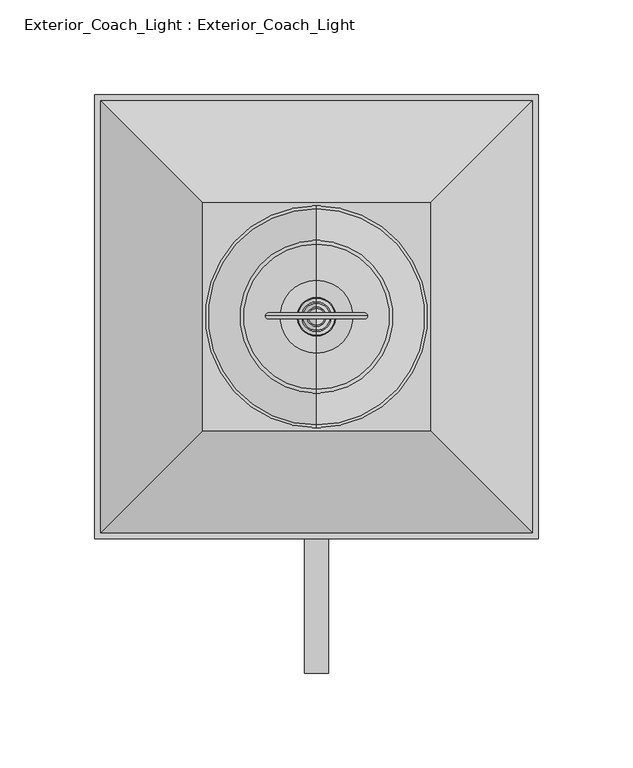
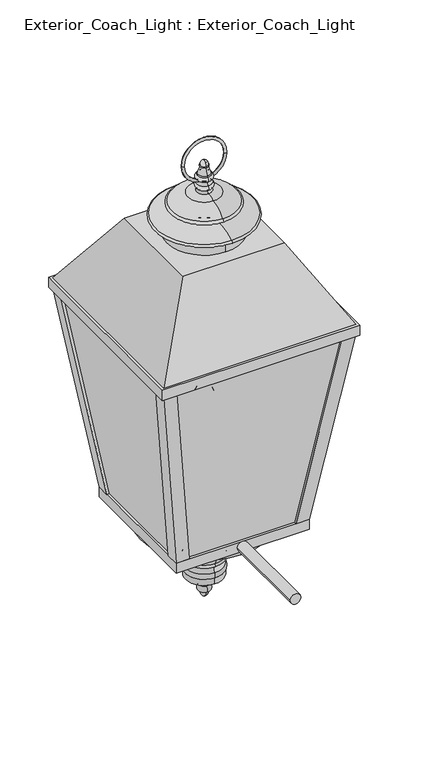
"""IFC4 building model written with IfcOpenShell, lengths in millimetres: light fixture geometry, Exterior_Coach_Light : Exterior_Coach_Light."""

from ifc_helpers import new_model, si_unit, point, frame, frame_2d, origin, place, context, project, spatial, polyline, circle_curve, ellipse_curve, trimmed, segment, composite_curve, outline, extrude, faceted_brep, source, transform, mapped, element, save
from ifc_brep_helpers import plane_surface, cylinder_surface, revolved_surface, spline_curve, advanced_brep


def exterior_coach_light_exterior_coach_light_49d7cb53(model_context):
    return source(origin(), model_context, "Body", "SolidModel", [
        extrude(outline(composite_curve([segment(trimmed(circle_curve(frame_2d((1831.0645854, 0.0)), 6.35), [point((1831.0645854, -6.35))], [point((1831.0645854, 6.35))], False, "CARTESIAN"), True, "CONTINUOUS"), segment(trimmed(circle_curve(frame_2d((1831.0645854, 0.0)), 6.35), [point((1831.0645854, 6.35))], [point((1831.0645854, -6.35))], False, "CARTESIAN"), True, "CONTINUOUS")], self_intersect=False)), frame((0.0, -189.2995984, 0.0), z_axis=(0.0, 1.0, 0.0), x_axis=(0.0, 0.0, 1.0)), (0.0, 0.0, 1.0), 109.1172354),
        advanced_brep(
        [(0.0, -15.5151275, 1925.8086155), (0.0, 13.9004016, 1925.8086155), (0.0, -0.8073629, 1995.6586155), (0.0, -0.8073629, 1925.8086155)],
        [
            (0, 1, circle_curve(frame((0.0, -0.8073629, 1925.8086155), z_axis=(0.0, 0.0, 1.0), x_axis=(0.0, 1.0, 0.0)), 14.7077646)),
            (1, 2, spline_curve(3, [(0.0, 13.9004016, 1925.8086155), (0.0, 26.242403699, 1936.450359625), (0.0, 24.307190899, 1944.546275789), (0.0, 18.40222862, 1960.232625293), (0.0, 14.173525156, 1967.570454233), (0.0, 5.791405073, 1986.178827119), (0.0, 1.851870573, 1996.12751011), (0.0, -0.8073629, 1995.6586155)], [4, 2, 2, 4], [0.0, 0.06180066190132277, 0.13275761258986918, 0.18711241383066227])),
            (2, 0, spline_curve(3, [(0.0, -0.8073629, 1995.6586155), (0.0, -3.466596373, 1996.12751011), (0.0, -7.406130873, 1986.178827119), (0.0, -15.788250956, 1967.570454233), (0.0, -20.01695452, 1960.232625293), (0.0, -25.921916799, 1944.546275789), (0.0, -27.857129599, 1936.450359625), (0.0, -15.5151275, 1925.8086155)], [4, 2, 2, 4], [0.0, 0.054354801240793095, 0.1253117519293395, 0.18711241383066227])),
            (1, 0, circle_curve(frame((0.0, -0.8073629, 1925.8086155), z_axis=(0.0, 0.0, 1.0), x_axis=(0.0, 1.0, 0.0)), 14.7077646)),
            (3, 1),
            (0, 3),
        ],
        [
            revolved_surface(spline_curve(3, [(0.0, -0.8073629, 1995.6586155), (0.0, 1.851870573, 1996.12751011), (0.0, 5.791405073, 1986.178827119), (0.0, 14.173525156, 1967.570454233), (0.0, 18.40222862, 1960.232625293), (0.0, 24.307190899, 1944.546275789), (0.0, 26.242403699, 1936.450359625), (0.0, 13.9004016, 1925.8086155)], [4, 2, 2, 4], [0.0, 0.054354801240793095, 0.1253117519293395, 0.18711241383066227]), (0.0, -0.8073629, 1925.8086155), (0.0, 0.0, -1.0)),
            plane_surface(frame((0.0, -0.8073629, 1925.8086155), z_axis=(0.0, 0.0, -1.0), x_axis=(0.0, 1.0, 0.0))),
        ],
        [
            (0, [[1, 2, 3]]),
            (0, [[4, -3, -2]]),
            (1, [[5, -1, 6]]),
            (1, [[-6, -4, -5]]),
        ],
    ),
        advanced_brep(
        [(0.0, 18.2426371, 1837.4145854), (0.0, -19.8573629, 1837.4145854), (0.0, -0.8073629, 1837.4145854), (0.0, 18.2426371, 1925.8086155), (0.0, -19.8573629, 1925.8086155), (0.0, -0.8073629, 1925.8086155)],
        [
            (0, 1, circle_curve(frame((0.0, -0.8073629, 1837.4145854), z_axis=(0.0, 0.0, -1.0), x_axis=(0.0, -1.0, 0.0)), 19.05)),
            (1, 2),
            (2, 0),
            (1, 0, circle_curve(frame((0.0, -0.8073629, 1837.4145854), z_axis=(0.0, 0.0, -1.0), x_axis=(0.0, -1.0, 0.0)), 19.05)),
            (3, 4, circle_curve(frame((0.0, -0.8073629, 1925.8086155), z_axis=(0.0, 0.0, -1.0), x_axis=(0.0, -1.0, 0.0)), 19.05)),
            (4, 1),
            (0, 3),
            (4, 3, circle_curve(frame((0.0, -0.8073629, 1925.8086155), z_axis=(0.0, 0.0, -1.0), x_axis=(0.0, -1.0, 0.0)), 19.05)),
            (5, 4),
            (3, 5),
        ],
        [
            plane_surface(frame((0.0, -0.8073629, 1837.4145854), z_axis=(0.0, 0.0, -1.0), x_axis=(0.0, -1.0, 0.0))),
            cylinder_surface(frame((0.0, -0.8073629, 1837.4145854), z_axis=(0.0, 0.0, 1.0), x_axis=(0.0, -1.0, 0.0)), 19.05),
            plane_surface(frame((0.0, -0.8073629, 1925.8086155), z_axis=(0.0, 0.0, 1.0), x_axis=(0.0, -1.0, 0.0))),
        ],
        [
            (0, [[1, 2, 3]]),
            (0, [[4, -3, -2]]),
            (1, [[5, 6, -1, 7]]),
            (1, [[8, -7, -4, -6]]),
            (2, [[9, -5, 10]]),
            (2, [[-10, -8, -9]]),
        ],
    ),
        advanced_brep(
        [(0.0, 21.3562505, 1756.6111143), (0.0, -22.9709763, 1756.6111143), (0.0, -22.9709763, 1749.0426244), (0.0, 21.3562505, 1749.0426244), (0.0, 21.3562505, 1762.9611143), (0.0, -22.9709763, 1762.9611143), (0.0, 21.3562505, 1771.2001548), (0.0, -22.9709763, 1771.2001548), (0.0, 21.3562505, 1774.3583654), (0.0, -22.9709763, 1774.3583654), (0.0, 21.3562505, 1787.0583654), (0.0, -22.9709763, 1787.0583654), (0.0, 21.3562505, 1799.7583654), (0.0, -22.9709763, 1799.7583654), (0.0, 75.3926371, 1818.3645854), (0.0, -77.0073629, 1818.3645854), (0.0, 75.3926371, 1824.7145854), (0.0, -77.0073629, 1824.7145854), (0.0, -0.8073629, 1824.7145854), (0.0, -17.3051469, 1749.0426244), (0.0, 15.690421, 1749.0426244), (0.0, 3.8701505, 1728.906082), (0.0, -5.4848764, 1728.906082), (0.0, -0.8073629, 1720.4676244), (0.0, 3.8701505, 1735.256082), (0.0, -5.4848764, 1735.256082)],
        [
            (0, 1, circle_curve(frame((0.0, -0.8073629, 1756.6111143), z_axis=(0.0, 0.0, -1.0), x_axis=(0.0, -1.0, 0.0)), 22.1636134)),
            (1, 2),
            (2, 3, circle_curve(frame((0.0, -0.8073629, 1749.0426244), z_axis=(0.0, 0.0, 1.0), x_axis=(0.0, -1.0, 0.0)), 22.1636134)),
            (3, 0),
            (1, 0, circle_curve(frame((0.0, -0.8073629, 1756.6111143), z_axis=(0.0, 0.0, -1.0), x_axis=(0.0, -1.0, 0.0)), 22.1636134)),
            (3, 2, circle_curve(frame((0.0, -0.8073629, 1749.0426244), z_axis=(0.0, 0.0, 1.0), x_axis=(0.0, -1.0, 0.0)), 22.1636134)),
            (4, 5, circle_curve(frame((0.0, -0.8073629, 1762.9611143), z_axis=(0.0, 0.0, -1.0), x_axis=(0.0, -1.0, 0.0)), 22.1636134)),
            (5, 1, circle_curve(frame((0.0, -19.2145189, 1759.7861143), z_axis=(1.0, 0.0, 0.0), x_axis=(0.0, -1.0, 0.0)), 4.9184955)),
            (0, 4, circle_curve(frame((0.0, 17.599793, 1759.7861143), z_axis=(1.0, 0.0, 0.0), x_axis=(0.0, 1.0, 0.0)), 4.9184955)),
            (5, 4, circle_curve(frame((0.0, -0.8073629, 1762.9611143), z_axis=(0.0, 0.0, -1.0), x_axis=(0.0, -1.0, 0.0)), 22.1636134)),
            (6, 7, circle_curve(frame((0.0, -0.8073629, 1771.2001548), z_axis=(0.0, 0.0, -1.0), x_axis=(0.0, -1.0, 0.0)), 22.1636134)),
            (7, 5, circle_curve(frame((0.0, -27.8449299, 1767.0806345), z_axis=(-1.0, 0.0, 0.0), x_axis=(0.0, -1.0, 0.0)), 6.3816824)),
            (4, 6, circle_curve(frame((0.0, 26.230204, 1767.0806345), z_axis=(-1.0, 0.0, 0.0), x_axis=(0.0, 1.0, 0.0)), 6.3816824)),
            (7, 6, circle_curve(frame((0.0, -0.8073629, 1771.2001548), z_axis=(0.0, 0.0, -1.0), x_axis=(0.0, -1.0, 0.0)), 22.1636134)),
            (8, 9, circle_curve(frame((0.0, -0.8073629, 1774.3583654), z_axis=(0.0, 0.0, -1.0), x_axis=(0.0, -1.0, 0.0)), 22.1636134)),
            (9, 7, circle_curve(frame((0.0, -22.9709763, 1772.7792601), z_axis=(1.0, 0.0, 0.0), x_axis=(0.0, -1.0, 0.0)), 1.5791053)),
            (6, 8, circle_curve(frame((0.0, 21.3562505, 1772.7792601), z_axis=(1.0, 0.0, 0.0), x_axis=(0.0, 1.0, 0.0)), 1.5791053)),
            (9, 8, circle_curve(frame((0.0, -0.8073629, 1774.3583654), z_axis=(0.0, 0.0, -1.0), x_axis=(0.0, -1.0, 0.0)), 22.1636134)),
            (10, 11, circle_curve(frame((0.0, -0.8073629, 1787.0583654), z_axis=(0.0, 0.0, -1.0), x_axis=(0.0, -1.0, 0.0)), 22.1636134)),
            (11, 9, circle_curve(frame((0.0, -16.5967823, 1780.7083654), z_axis=(1.0, 0.0, 0.0), x_axis=(0.0, -1.0, 0.0)), 8.9973802)),
            (8, 10, circle_curve(frame((0.0, 14.9820564, 1780.7083654), z_axis=(1.0, 0.0, 0.0), x_axis=(0.0, 1.0, 0.0)), 8.9973802)),
            (11, 10, circle_curve(frame((0.0, -0.8073629, 1787.0583654), z_axis=(0.0, 0.0, -1.0), x_axis=(0.0, -1.0, 0.0)), 22.1636134)),
            (12, 13, circle_curve(frame((0.0, -0.8073629, 1799.7583654), z_axis=(0.0, 0.0, -1.0), x_axis=(0.0, -1.0, 0.0)), 22.1636134)),
            (13, 11),
            (10, 12),
            (13, 12, circle_curve(frame((0.0, -0.8073629, 1799.7583654), z_axis=(0.0, 0.0, -1.0), x_axis=(0.0, -1.0, 0.0)), 22.1636134)),
            (14, 15, circle_curve(frame((0.0, -0.8073629, 1818.3645854), z_axis=(0.0, 0.0, -1.0), x_axis=(0.0, -1.0, 0.0)), 76.2)),
            (15, 13, circle_curve(frame((0.0, -81.0697641, 1718.7968748), z_axis=(-1.0, 0.0, 0.0), x_axis=(0.0, -1.0, 0.0)), 99.6505499)),
            (12, 14, circle_curve(frame((0.0, 79.4550383, 1718.7968748), z_axis=(-1.0, 0.0, 0.0), x_axis=(0.0, 1.0, 0.0)), 99.6505499)),
            (15, 14, circle_curve(frame((0.0, -0.8073629, 1818.3645854), z_axis=(0.0, 0.0, -1.0), x_axis=(0.0, -1.0, 0.0)), 76.2)),
            (16, 17, circle_curve(frame((0.0, -0.8073629, 1824.7145854), z_axis=(0.0, 0.0, -1.0), x_axis=(0.0, -1.0, 0.0)), 76.2)),
            (17, 15),
            (14, 16),
            (17, 16, circle_curve(frame((0.0, -0.8073629, 1824.7145854), z_axis=(0.0, 0.0, -1.0), x_axis=(0.0, -1.0, 0.0)), 76.2)),
            (18, 17),
            (16, 18),
            (2, 19),
            (19, 20, circle_curve(frame((0.0, -0.8073629, 1749.0426244), z_axis=(0.0, 0.0, 1.0), x_axis=(0.0, -1.0, 0.0)), 16.4977839)),
            (20, 3),
            (20, 19, circle_curve(frame((0.0, -0.8073629, 1749.0426244), z_axis=(0.0, 0.0, 1.0), x_axis=(0.0, -1.0, 0.0)), 16.4977839)),
            (21, 22, circle_curve(frame((0.0, -0.8073629, 1728.906082), z_axis=(0.0, 0.0, -1.0), x_axis=(0.0, -1.0, 0.0)), 4.6775134)),
            (22, 23, circle_curve(frame((0.0, 3.4570003, 1728.3470224), z_axis=(1.0, 0.0, 0.0), x_axis=(0.0, 1.0, 0.0)), 8.9593363)),
            (23, 21, circle_curve(frame((0.0, -5.0717262, 1728.3470224), z_axis=(1.0, 0.0, 0.0), x_axis=(0.0, -1.0, 0.0)), 8.9593363)),
            (22, 21, circle_curve(frame((0.0, -0.8073629, 1728.906082), z_axis=(0.0, 0.0, -1.0), x_axis=(0.0, -1.0, 0.0)), 4.6775134)),
            (24, 25, circle_curve(frame((0.0, -0.8073629, 1735.256082), z_axis=(0.0, 0.0, -1.0), x_axis=(0.0, -1.0, 0.0)), 4.6775134)),
            (25, 22, circle_curve(frame((0.0, -5.4848764, 1732.081082), z_axis=(1.0, 0.0, 0.0), x_axis=(0.0, 1.0, 0.0)), 3.175)),
            (21, 24, circle_curve(frame((0.0, 3.8701505, 1732.081082), z_axis=(1.0, 0.0, 0.0), x_axis=(0.0, -1.0, 0.0)), 3.175)),
            (25, 24, circle_curve(frame((0.0, -0.8073629, 1735.256082), z_axis=(0.0, 0.0, -1.0), x_axis=(0.0, -1.0, 0.0)), 4.6775134)),
            (19, 25, circle_curve(frame((0.0, -20.8823706, 1734.0151056), z_axis=(-1.0, 0.0, 0.0), x_axis=(0.0, 1.0, 0.0)), 15.4474221)),
            (24, 20, circle_curve(frame((0.0, 19.2676447, 1734.0151056), z_axis=(-1.0, 0.0, 0.0), x_axis=(0.0, -1.0, 0.0)), 15.4474221)),
        ],
        [
            cylinder_surface(frame((0.0, -0.8073629, 1824.7145854), z_axis=(0.0, 0.0, 1.0), x_axis=(0.0, -1.0, 0.0)), 22.1636134),
            revolved_surface(trimmed(ellipse_curve(frame((0.0, -19.2145189, 1759.7861143), z_axis=(-1.0, 0.0, 0.0), x_axis=(0.0, -1.0, 0.0)), 4.9184955, 4.9184955), [point((0.0, -22.9709763, 1756.6111143))], [point((0.0, -22.9709763, 1762.9611143))], True, "CARTESIAN"), (0.0, -0.8073629, 1824.7145854), (0.0, 0.0, 1.0)),
            revolved_surface(trimmed(ellipse_curve(frame((0.0, -27.8449299, 1767.0806345), z_axis=(1.0, 0.0, 0.0), x_axis=(0.0, -1.0, 0.0)), 6.3816824, 6.3816824), [point((0.0, -22.9709763, 1762.9611143))], [point((0.0, -22.9709763, 1771.2001548))], True, "CARTESIAN"), (0.0, -0.8073629, 1824.7145854), (0.0, 0.0, 1.0)),
            revolved_surface(trimmed(ellipse_curve(frame((0.0, -22.9709763, 1772.7792601), z_axis=(-1.0, 0.0, 0.0), x_axis=(0.0, -1.0, 0.0)), 1.5791053, 1.5791053), [point((0.0, -22.9709763, 1771.2001548))], [point((0.0, -22.9709763, 1774.3583654))], True, "CARTESIAN"), (0.0, -0.8073629, 1824.7145854), (0.0, 0.0, 1.0)),
            revolved_surface(trimmed(ellipse_curve(frame((0.0, -16.5967823, 1780.7083654), z_axis=(-1.0, 0.0, 0.0), x_axis=(0.0, -1.0, 0.0)), 8.9973802, 8.9973802), [point((0.0, -22.9709763, 1774.3583654))], [point((0.0, -22.9709763, 1787.0583654))], True, "CARTESIAN"), (0.0, -0.8073629, 1824.7145854), (0.0, 0.0, 1.0)),
            revolved_surface(trimmed(ellipse_curve(frame((0.0, -81.0697641, 1718.7968748), z_axis=(1.0, 0.0, 0.0), x_axis=(0.0, -1.0, 0.0)), 99.6505499, 99.6505499), [point((0.0, -22.9709763, 1799.7583654))], [point((0.0, -77.0073629, 1818.3645854))], True, "CARTESIAN"), (0.0, -0.8073629, 1824.7145854), (0.0, 0.0, 1.0)),
            cylinder_surface(frame((0.0, -0.8073629, 1824.7145854), z_axis=(0.0, 0.0, 1.0), x_axis=(0.0, -1.0, 0.0)), 76.2),
            plane_surface(frame((0.0, -0.8073629, 1824.7145854), z_axis=(0.0, 0.0, 1.0), x_axis=(0.0, -1.0, 0.0))),
            plane_surface(frame((0.0, -0.8073629, 1749.0426244), z_axis=(0.0, 0.0, -1.0), x_axis=(0.0, -1.0, 0.0))),
            revolved_surface(trimmed(ellipse_curve(frame((0.0, 3.4570003, 1728.3470224), z_axis=(-1.0, 0.0, 0.0), x_axis=(0.0, 1.0, 0.0)), 8.9593363, 8.9593363), [point((0.0, -0.8073629, 1720.4676244))], [point((0.0, -5.4848764, 1728.906082))], True, "CARTESIAN"), (0.0, -0.8073629, 1824.7145854), (0.0, 0.0, 1.0)),
            revolved_surface(trimmed(ellipse_curve(frame((0.0, -5.4848764, 1732.081082), z_axis=(-1.0, 0.0, 0.0), x_axis=(0.0, 1.0, 0.0)), 3.175, 3.175), [point((0.0, -5.4848764, 1728.906082))], [point((0.0, -5.4848764, 1735.256082))], True, "CARTESIAN"), (0.0, -0.8073629, 1824.7145854), (0.0, 0.0, 1.0)),
            revolved_surface(trimmed(ellipse_curve(frame((0.0, -20.8823706, 1734.0151056), z_axis=(1.0, 0.0, 0.0), x_axis=(0.0, 1.0, 0.0)), 15.4474221, 15.4474221), [point((0.0, -5.4848764, 1735.256082))], [point((0.0, -17.3051469, 1749.0426244))], True, "CARTESIAN"), (0.0, -0.8073629, 1824.7145854), (0.0, 0.0, 1.0)),
        ],
        [
            (0, [[1, 2, 3, 4]]),
            (0, [[5, -4, 6, -2]]),
            (1, [[7, 8, -1, 9]]),
            (1, [[10, -9, -5, -8]]),
            (2, [[11, 12, -7, 13]]),
            (2, [[14, -13, -10, -12]]),
            (3, [[15, 16, -11, 17]]),
            (3, [[18, -17, -14, -16]]),
            (4, [[19, 20, -15, 21]]),
            (4, [[22, -21, -18, -20]]),
            (0, [[23, 24, -19, 25]]),
            (0, [[26, -25, -22, -24]]),
            (5, [[27, 28, -23, 29]]),
            (5, [[30, -29, -26, -28]]),
            (6, [[31, 32, -27, 33]]),
            (6, [[34, -33, -30, -32]]),
            (7, [[35, -31, 36]]),
            (7, [[-36, -34, -35]]),
            (8, [[-3, 37, 38, 39]]),
            (8, [[-6, -39, 40, -37]]),
            (9, [[41, 42, 43]]),
            (9, [[44, -43, -42]]),
            (10, [[45, 46, -41, 47]]),
            (10, [[48, -47, -44, -46]]),
            (11, [[-38, 49, -45, 50]]),
            (11, [[-40, -50, -48, -49]]),
        ],
    ),
        advanced_brep(
        [(-23.8125, -0.3633904, 2270.0039958), (23.8125, -0.3633904, 2270.0039958), (26.9875, -0.3633904, 2270.0039958), (-26.9875, -0.3633904, 2270.0039958)],
        [
            (0, 1, circle_curve(frame((0.0, -0.3633904, 2270.0039958), z_axis=(0.0, 1.0, 0.0), x_axis=(1.0, 0.0, 0.0)), 23.8125)),
            (1, 2, circle_curve(frame((25.4, -0.3633904, 2270.0039958), z_axis=(0.0, 0.0, 1.0), x_axis=(-1.0, 0.0, 0.0)), 1.5875)),
            (2, 3, circle_curve(frame((0.0, -0.3633904, 2270.0039958), z_axis=(0.0, -1.0, 0.0), x_axis=(1.0, 0.0, 0.0)), 26.9875)),
            (3, 0, circle_curve(frame((-25.4, -0.3633904, 2270.0039958), z_axis=(0.0, 0.0, 1.0), x_axis=(1.0, 0.0, 0.0)), 1.5875)),
            (2, 1, circle_curve(frame((25.4, -0.3633904, 2270.0039958), z_axis=(0.0, 0.0, 1.0), x_axis=(-1.0, 0.0, 0.0)), 1.5875)),
            (0, 3, circle_curve(frame((-25.4, -0.3633904, 2270.0039958), z_axis=(0.0, 0.0, 1.0), x_axis=(1.0, 0.0, 0.0)), 1.5875)),
            (1, 0, circle_curve(frame((0.0, -0.3633904, 2270.0039958), z_axis=(0.0, 1.0, 0.0), x_axis=(-1.0, 0.0, 0.0)), 23.8125)),
            (3, 2, circle_curve(frame((0.0, -0.3633904, 2270.0039958), z_axis=(0.0, -1.0, 0.0), x_axis=(-1.0, 0.0, 0.0)), 26.9875)),
        ],
        [
            revolved_surface(trimmed(ellipse_curve(frame((25.4, -0.3633904, 2270.0039958), z_axis=(0.0, 0.0, -1.0), x_axis=(-1.0, 0.0, 0.0)), 1.5875, 1.5875), [point((26.9875, -0.3633904, 2270.0039958))], [point((23.8125, -0.3633904, 2270.0039958))], True, "CARTESIAN"), (0.0, 13.9004016, 2270.0039958), (0.0, -1.0, 0.0)),
            revolved_surface(trimmed(ellipse_curve(frame((25.4, -0.3633904, 2270.0039958), z_axis=(0.0, 0.0, -1.0), x_axis=(-1.0, 0.0, 0.0)), 1.5875, 1.5875), [point((23.8125, -0.3633904, 2270.0039958))], [point((26.9875, -0.3633904, 2270.0039958))], True, "CARTESIAN"), (0.0, 13.9004016, 2270.0039958), (0.0, -1.0, 0.0)),
            revolved_surface(trimmed(ellipse_curve(frame((-25.4, -0.3633904, 2270.0039958), z_axis=(0.0, 0.0, 1.0), x_axis=(1.0, 0.0, 0.0)), 1.5875, 1.5875), [point((-26.9875, -0.3633904, 2270.0039958))], [point((-23.8125, -0.3633904, 2270.0039958))], True, "CARTESIAN"), (0.0, 13.9004016, 2270.0039958), (0.0, -1.0, 0.0)),
            revolved_surface(trimmed(ellipse_curve(frame((-25.4, -0.3633904, 2270.0039958), z_axis=(0.0, 0.0, 1.0), x_axis=(1.0, 0.0, 0.0)), 1.5875, 1.5875), [point((-23.8125, -0.3633904, 2270.0039958))], [point((-26.9875, -0.3633904, 2270.0039958))], True, "CARTESIAN"), (0.0, 13.9004016, 2270.0039958), (0.0, -1.0, 0.0)),
        ],
        [
            (0, [[1, 2, 3, 4]]),
            (1, [[-3, 5, -1, 6]]),
            (2, [[7, -4, 8, -2]]),
            (3, [[-8, -6, -7, -5]]),
        ],
    ),
        advanced_brep(
        [(0.0, -5.1471925, 2263.6539958), (0.0, 3.5324667, 2263.6539958), (0.0, -0.8073629, 2269.2145854), (0.0, -5.1471925, 2262.2566037), (0.0, 3.5324667, 2262.2566037), (0.0, -7.9003482, 2253.251437), (0.0, 6.2856224, 2253.251437), (0.0, -7.9003482, 2251.8434925), (0.0, 6.2856224, 2251.8434925), (0.0, -7.9003482, 2246.600766), (0.0, 6.2856224, 2246.600766), (0.0, -9.5709629, 2242.0107899), (0.0, 7.9562371, 2242.0107899), (0.0, -9.5709629, 2236.1702602), (0.0, 7.9562371, 2236.1702602), (0.0, -9.5709629, 2232.0022253), (0.0, 7.9562371, 2232.0022253), (0.0, -19.9928656, 2229.2096849), (0.0, 18.3781398, 2229.2096849), (0.0, -39.2280678, 2218.5474382), (0.0, 37.613342, 2218.5474382), (0.0, -39.2280678, 2214.6345121), (0.0, 37.613342, 2214.6345121), (0.0, -28.0435255, 2214.6345121), (0.0, 26.4287997, 2214.6345121), (0.0, -28.0435255, 2209.9979428), (0.0, 26.4287997, 2209.9979428), (0.0, -57.9573629, 2202.5395854), (0.0, 56.3426371, 2202.5395854), (0.0, -57.9573629, 2199.3645854), (0.0, 56.3426371, 2199.3645854), (0.0, -45.2573629, 2199.3645854), (0.0, 43.6426371, 2199.3645854), (0.0, -45.2573629, 2180.3145854), (0.0, 43.6426371, 2180.3145854), (0.0, -0.8073629, 2180.3145854)],
        [
            (0, 1, circle_curve(frame((0.0, -0.8073629, 2263.6539958), z_axis=(0.0, 0.0, 1.0), x_axis=(0.0, 1.0, 0.0)), 4.3398296)),
            (1, 2, circle_curve(frame((0.0, -1.9499384, 2263.8490174), z_axis=(1.0, 0.0, 0.0), x_axis=(0.0, 1.0, 0.0)), 5.4858726)),
            (2, 0, circle_curve(frame((0.0, 0.3352125, 2263.8490174), z_axis=(1.0, 0.0, 0.0), x_axis=(0.0, -1.0, 0.0)), 5.4858726)),
            (1, 0, circle_curve(frame((0.0, -0.8073629, 2263.6539958), z_axis=(0.0, 0.0, 1.0), x_axis=(0.0, 1.0, 0.0)), 4.3398296)),
            (3, 4, circle_curve(frame((0.0, -0.8073629, 2262.2566037), z_axis=(0.0, 0.0, 1.0), x_axis=(0.0, 1.0, 0.0)), 4.3398296)),
            (4, 1, circle_curve(frame((0.0, 3.5324667, 2262.9552997), z_axis=(1.0, 0.0, 0.0), x_axis=(0.0, 1.0, 0.0)), 0.698696)),
            (0, 3, circle_curve(frame((0.0, -5.1471925, 2262.9552997), z_axis=(1.0, 0.0, 0.0), x_axis=(0.0, -1.0, 0.0)), 0.698696)),
            (4, 3, circle_curve(frame((0.0, -0.8073629, 2262.2566037), z_axis=(0.0, 0.0, 1.0), x_axis=(0.0, 1.0, 0.0)), 4.3398296)),
            (5, 6, circle_curve(frame((0.0, -0.8073629, 2253.251437), z_axis=(0.0, 0.0, 1.0), x_axis=(0.0, 1.0, 0.0)), 7.0929853)),
            (6, 4, circle_curve(frame((0.0, 26.4174643, 2264.3298042), z_axis=(-1.0, 0.0, 0.0), x_axis=(0.0, 1.0, 0.0)), 22.9787136)),
            (3, 5, circle_curve(frame((0.0, -28.0321901, 2264.3298042), z_axis=(-1.0, 0.0, 0.0), x_axis=(0.0, -1.0, 0.0)), 22.9787136)),
            (6, 5, circle_curve(frame((0.0, -0.8073629, 2253.251437), z_axis=(0.0, 0.0, 1.0), x_axis=(0.0, 1.0, 0.0)), 7.0929853)),
            (7, 8, circle_curve(frame((0.0, -0.8073629, 2251.8434925), z_axis=(0.0, 0.0, 1.0), x_axis=(0.0, 1.0, 0.0)), 7.0929853)),
            (8, 6, circle_curve(frame((0.0, 6.2856224, 2252.5474648), z_axis=(1.0, 0.0, 0.0), x_axis=(0.0, 1.0, 0.0)), 0.7039722)),
            (5, 7, circle_curve(frame((0.0, -7.9003482, 2252.5474648), z_axis=(1.0, 0.0, 0.0), x_axis=(0.0, -1.0, 0.0)), 0.7039722)),
            (8, 7, circle_curve(frame((0.0, -0.8073629, 2251.8434925), z_axis=(0.0, 0.0, 1.0), x_axis=(0.0, 1.0, 0.0)), 7.0929853)),
            (9, 10, circle_curve(frame((0.0, -0.8073629, 2246.600766), z_axis=(0.0, 0.0, 1.0), x_axis=(0.0, 1.0, 0.0)), 7.0929853)),
            (10, 8, circle_curve(frame((0.0, 6.2856224, 2249.2221293), z_axis=(1.0, 0.0, 0.0), x_axis=(0.0, 1.0, 0.0)), 2.6213633)),
            (7, 9, circle_curve(frame((0.0, -7.9003482, 2249.2221293), z_axis=(1.0, 0.0, 0.0), x_axis=(0.0, -1.0, 0.0)), 2.6213633)),
            (10, 9, circle_curve(frame((0.0, -0.8073629, 2246.600766), z_axis=(0.0, 0.0, 1.0), x_axis=(0.0, 1.0, 0.0)), 7.0929853)),
            (11, 12, circle_curve(frame((0.0, -0.8073629, 2242.0107899), z_axis=(0.0, 0.0, 1.0), x_axis=(0.0, 1.0, 0.0)), 8.7636)),
            (12, 10, circle_curve(frame((0.0, 10.7057496, 2245.6105457), z_axis=(-1.0, 0.0, 0.0), x_axis=(0.0, 1.0, 0.0)), 4.5296866)),
            (9, 11, circle_curve(frame((0.0, -12.3204754, 2245.6105457), z_axis=(-1.0, 0.0, 0.0), x_axis=(0.0, -1.0, 0.0)), 4.5296866)),
            (12, 11, circle_curve(frame((0.0, -0.8073629, 2242.0107899), z_axis=(0.0, 0.0, 1.0), x_axis=(0.0, 1.0, 0.0)), 8.7636)),
            (13, 14, circle_curve(frame((0.0, -0.8073629, 2236.1702602), z_axis=(0.0, 0.0, 1.0), x_axis=(0.0, 1.0, 0.0)), 8.7636)),
            (14, 12, circle_curve(frame((0.0, 5.7257234, 2239.090525), z_axis=(1.0, 0.0, 0.0), x_axis=(0.0, 1.0, 0.0)), 3.6746616)),
            (11, 13, circle_curve(frame((0.0, -7.3404492, 2239.090525), z_axis=(1.0, 0.0, 0.0), x_axis=(0.0, -1.0, 0.0)), 3.6746616)),
            (14, 13, circle_curve(frame((0.0, -0.8073629, 2236.1702602), z_axis=(0.0, 0.0, 1.0), x_axis=(0.0, 1.0, 0.0)), 8.7636)),
            (15, 16, circle_curve(frame((0.0, -0.8073629, 2232.0022253), z_axis=(0.0, 0.0, 1.0), x_axis=(0.0, 1.0, 0.0)), 8.7636)),
            (16, 14, circle_curve(frame((0.0, 9.5480206, 2234.0862428), z_axis=(-1.0, 0.0, 0.0), x_axis=(0.0, 1.0, 0.0)), 2.6223851)),
            (13, 15, circle_curve(frame((0.0, -11.1627465, 2234.0862428), z_axis=(-1.0, 0.0, 0.0), x_axis=(0.0, -1.0, 0.0)), 2.6223851)),
            (16, 15, circle_curve(frame((0.0, -0.8073629, 2232.0022253), z_axis=(0.0, 0.0, 1.0), x_axis=(0.0, 1.0, 0.0)), 8.7636)),
            (17, 18, circle_curve(frame((0.0, -0.8073629, 2229.2096849), z_axis=(0.0, 0.0, 1.0), x_axis=(0.0, 1.0, 0.0)), 19.1855027)),
            (18, 16, circle_curve(frame((0.0, 10.1452963, 2219.3281001), z_axis=(1.0, 0.0, 0.0), x_axis=(0.0, 1.0, 0.0)), 12.8617818)),
            (15, 17, circle_curve(frame((0.0, -11.7600221, 2219.3281001), z_axis=(1.0, 0.0, 0.0), x_axis=(0.0, -1.0, 0.0)), 12.8617818)),
            (18, 17, circle_curve(frame((0.0, -0.8073629, 2229.2096849), z_axis=(0.0, 0.0, 1.0), x_axis=(0.0, 1.0, 0.0)), 19.1855027)),
            (19, 20, circle_curve(frame((0.0, -0.8073629, 2218.5474382), z_axis=(0.0, 0.0, 1.0), x_axis=(0.0, 1.0, 0.0)), 38.4207049)),
            (20, 18, circle_curve(frame((0.0, 17.7405792, 2205.37776), z_axis=(1.0, 0.0, 0.0), x_axis=(0.0, 1.0, 0.0)), 23.8404515)),
            (17, 19, circle_curve(frame((0.0, -19.355305, 2205.37776), z_axis=(1.0, 0.0, 0.0), x_axis=(0.0, -1.0, 0.0)), 23.8404515)),
            (20, 19, circle_curve(frame((0.0, -0.8073629, 2218.5474382), z_axis=(0.0, 0.0, 1.0), x_axis=(0.0, 1.0, 0.0)), 38.4207049)),
            (21, 22, circle_curve(frame((0.0, -0.8073629, 2214.6345121), z_axis=(0.0, 0.0, 1.0), x_axis=(0.0, 1.0, 0.0)), 38.4207049)),
            (22, 20, circle_curve(frame((0.0, 37.613342, 2216.5909751), z_axis=(1.0, 0.0, 0.0), x_axis=(0.0, 1.0, 0.0)), 1.9564631)),
            (19, 21, circle_curve(frame((0.0, -39.2280678, 2216.5909751), z_axis=(1.0, 0.0, 0.0), x_axis=(0.0, -1.0, 0.0)), 1.9564631)),
            (22, 21, circle_curve(frame((0.0, -0.8073629, 2214.6345121), z_axis=(0.0, 0.0, 1.0), x_axis=(0.0, 1.0, 0.0)), 38.4207049)),
            (23, 24, circle_curve(frame((0.0, -0.8073629, 2214.6345121), z_axis=(0.0, 0.0, 1.0), x_axis=(0.0, 1.0, 0.0)), 27.2361626)),
            (24, 22),
            (21, 23),
            (24, 23, circle_curve(frame((0.0, -0.8073629, 2214.6345121), z_axis=(0.0, 0.0, 1.0), x_axis=(0.0, 1.0, 0.0)), 27.2361626)),
            (25, 26, circle_curve(frame((0.0, -0.8073629, 2209.9979428), z_axis=(0.0, 0.0, 1.0), x_axis=(0.0, 1.0, 0.0)), 27.2361626)),
            (26, 24, circle_curve(frame((0.0, 27.7982929, 2212.3162274), z_axis=(-1.0, 0.0, 0.0), x_axis=(0.0, 1.0, 0.0)), 2.6925741)),
            (23, 25, circle_curve(frame((0.0, -29.4130187, 2212.3162274), z_axis=(-1.0, 0.0, 0.0), x_axis=(0.0, -1.0, 0.0)), 2.6925741)),
            (26, 25, circle_curve(frame((0.0, -0.8073629, 2209.9979428), z_axis=(0.0, 0.0, 1.0), x_axis=(0.0, 1.0, 0.0)), 27.2361626)),
            (27, 28, circle_curve(frame((0.0, -0.8073629, 2202.5395854), z_axis=(0.0, 0.0, 1.0), x_axis=(0.0, 1.0, 0.0)), 57.15)),
            (28, 26, circle_curve(frame((0.0, 28.7627498, 2155.6408022), z_axis=(1.0, 0.0, 0.0), x_axis=(0.0, 1.0, 0.0)), 54.4072243)),
            (25, 27, circle_curve(frame((0.0, -30.3774756, 2155.6408022), z_axis=(1.0, 0.0, 0.0), x_axis=(0.0, -1.0, 0.0)), 54.4072243)),
            (28, 27, circle_curve(frame((0.0, -0.8073629, 2202.5395854), z_axis=(0.0, 0.0, 1.0), x_axis=(0.0, 1.0, 0.0)), 57.15)),
            (29, 30, circle_curve(frame((0.0, -0.8073629, 2199.3645854), z_axis=(0.0, 0.0, 1.0), x_axis=(0.0, 1.0, 0.0)), 57.15)),
            (30, 28, circle_curve(frame((0.0, 56.3426371, 2200.9520854), z_axis=(1.0, 0.0, 0.0), x_axis=(0.0, 1.0, 0.0)), 1.5875)),
            (27, 29, circle_curve(frame((0.0, -57.9573629, 2200.9520854), z_axis=(1.0, 0.0, 0.0), x_axis=(0.0, -1.0, 0.0)), 1.5875)),
            (30, 29, circle_curve(frame((0.0, -0.8073629, 2199.3645854), z_axis=(0.0, 0.0, 1.0), x_axis=(0.0, 1.0, 0.0)), 57.15)),
            (31, 32, circle_curve(frame((0.0, -0.8073629, 2199.3645854), z_axis=(0.0, 0.0, 1.0), x_axis=(0.0, 1.0, 0.0)), 44.45)),
            (32, 30),
            (29, 31),
            (32, 31, circle_curve(frame((0.0, -0.8073629, 2199.3645854), z_axis=(0.0, 0.0, 1.0), x_axis=(0.0, 1.0, 0.0)), 44.45)),
            (33, 34, circle_curve(frame((0.0, -0.8073629, 2180.3145854), z_axis=(0.0, 0.0, 1.0), x_axis=(0.0, 1.0, 0.0)), 44.45)),
            (34, 32),
            (31, 33),
            (34, 33, circle_curve(frame((0.0, -0.8073629, 2180.3145854), z_axis=(0.0, 0.0, 1.0), x_axis=(0.0, 1.0, 0.0)), 44.45)),
            (35, 34),
            (33, 35),
        ],
        [
            revolved_surface(trimmed(ellipse_curve(frame((0.0, -1.9499384, 2263.8490174), z_axis=(-1.0, 0.0, 0.0), x_axis=(0.0, 1.0, 0.0)), 5.4858726, 5.4858726), [point((0.0, -0.8073629, 2269.2145854))], [point((0.0, 3.5324667, 2263.6539958))], True, "CARTESIAN"), (0.0, -0.8073629, 2180.3145854), (0.0, 0.0, -1.0)),
            revolved_surface(trimmed(ellipse_curve(frame((0.0, 3.5324667, 2262.9552997), z_axis=(-1.0, 0.0, 0.0), x_axis=(0.0, 1.0, 0.0)), 0.698696, 0.698696), [point((0.0, 3.5324667, 2263.6539958))], [point((0.0, 3.5324667, 2262.2566037))], True, "CARTESIAN"), (0.0, -0.8073629, 2180.3145854), (0.0, 0.0, -1.0)),
            revolved_surface(trimmed(ellipse_curve(frame((0.0, 26.4174643, 2264.3298042), z_axis=(1.0, 0.0, 0.0), x_axis=(0.0, 1.0, 0.0)), 22.9787136, 22.9787136), [point((0.0, 3.5324667, 2262.2566037))], [point((0.0, 6.2856224, 2253.251437))], True, "CARTESIAN"), (0.0, -0.8073629, 2180.3145854), (0.0, 0.0, -1.0)),
            revolved_surface(trimmed(ellipse_curve(frame((0.0, 6.2856224, 2252.5474648), z_axis=(-1.0, 0.0, 0.0), x_axis=(0.0, 1.0, 0.0)), 0.7039722, 0.7039722), [point((0.0, 6.2856224, 2253.251437))], [point((0.0, 6.2856224, 2251.8434925))], True, "CARTESIAN"), (0.0, -0.8073629, 2180.3145854), (0.0, 0.0, -1.0)),
            revolved_surface(trimmed(ellipse_curve(frame((0.0, 6.2856224, 2249.2221293), z_axis=(-1.0, 0.0, 0.0), x_axis=(0.0, 1.0, 0.0)), 2.6213633, 2.6213633), [point((0.0, 6.2856224, 2251.8434925))], [point((0.0, 6.2856224, 2246.600766))], True, "CARTESIAN"), (0.0, -0.8073629, 2180.3145854), (0.0, 0.0, -1.0)),
            revolved_surface(trimmed(ellipse_curve(frame((0.0, 10.7057496, 2245.6105457), z_axis=(1.0, 0.0, 0.0), x_axis=(0.0, 1.0, 0.0)), 4.5296866, 4.5296866), [point((0.0, 6.2856224, 2246.600766))], [point((0.0, 7.9562371, 2242.0107899))], True, "CARTESIAN"), (0.0, -0.8073629, 2180.3145854), (0.0, 0.0, -1.0)),
            revolved_surface(trimmed(ellipse_curve(frame((0.0, 5.7257234, 2239.090525), z_axis=(-1.0, 0.0, 0.0), x_axis=(0.0, 1.0, 0.0)), 3.6746616, 3.6746616), [point((0.0, 7.9562371, 2242.0107899))], [point((0.0, 7.9562371, 2236.1702602))], True, "CARTESIAN"), (0.0, -0.8073629, 2180.3145854), (0.0, 0.0, -1.0)),
            revolved_surface(trimmed(ellipse_curve(frame((0.0, 9.5480206, 2234.0862428), z_axis=(1.0, 0.0, 0.0), x_axis=(0.0, 1.0, 0.0)), 2.6223851, 2.6223851), [point((0.0, 7.9562371, 2236.1702602))], [point((0.0, 7.9562371, 2232.0022253))], True, "CARTESIAN"), (0.0, -0.8073629, 2180.3145854), (0.0, 0.0, -1.0)),
            revolved_surface(trimmed(ellipse_curve(frame((0.0, 10.1452963, 2219.3281001), z_axis=(-1.0, 0.0, 0.0), x_axis=(0.0, 1.0, 0.0)), 12.8617818, 12.8617818), [point((0.0, 7.9562371, 2232.0022253))], [point((0.0, 18.3781398, 2229.2096849))], True, "CARTESIAN"), (0.0, -0.8073629, 2180.3145854), (0.0, 0.0, -1.0)),
            revolved_surface(trimmed(ellipse_curve(frame((0.0, 17.7405792, 2205.37776), z_axis=(-1.0, 0.0, 0.0), x_axis=(0.0, 1.0, 0.0)), 23.8404515, 23.8404515), [point((0.0, 18.3781398, 2229.2096849))], [point((0.0, 37.613342, 2218.5474382))], True, "CARTESIAN"), (0.0, -0.8073629, 2180.3145854), (0.0, 0.0, -1.0)),
            revolved_surface(trimmed(ellipse_curve(frame((0.0, 37.613342, 2216.5909751), z_axis=(-1.0, 0.0, 0.0), x_axis=(0.0, 1.0, 0.0)), 1.9564631, 1.9564631), [point((0.0, 37.613342, 2218.5474382))], [point((0.0, 37.613342, 2214.6345121))], True, "CARTESIAN"), (0.0, -0.8073629, 2180.3145854), (0.0, 0.0, -1.0)),
            plane_surface(frame((0.0, -0.8073629, 2214.6345121), z_axis=(0.0, 0.0, -1.0), x_axis=(0.0, 1.0, 0.0))),
            revolved_surface(trimmed(ellipse_curve(frame((0.0, 27.7982929, 2212.3162274), z_axis=(1.0, 0.0, 0.0), x_axis=(0.0, 1.0, 0.0)), 2.6925741, 2.6925741), [point((0.0, 26.4287997, 2214.6345121))], [point((0.0, 26.4287997, 2209.9979428))], True, "CARTESIAN"), (0.0, -0.8073629, 2180.3145854), (0.0, 0.0, -1.0)),
            revolved_surface(trimmed(ellipse_curve(frame((0.0, 28.7627498, 2155.6408022), z_axis=(-1.0, 0.0, 0.0), x_axis=(0.0, 1.0, 0.0)), 54.4072243, 54.4072243), [point((0.0, 26.4287997, 2209.9979428))], [point((0.0, 56.3426371, 2202.5395854))], True, "CARTESIAN"), (0.0, -0.8073629, 2180.3145854), (0.0, 0.0, -1.0)),
            revolved_surface(trimmed(ellipse_curve(frame((0.0, 56.3426371, 2200.9520854), z_axis=(-1.0, 0.0, 0.0), x_axis=(0.0, 1.0, 0.0)), 1.5875, 1.5875), [point((0.0, 56.3426371, 2202.5395854))], [point((0.0, 56.3426371, 2199.3645854))], True, "CARTESIAN"), (0.0, -0.8073629, 2180.3145854), (0.0, 0.0, -1.0)),
            plane_surface(frame((0.0, -0.8073629, 2199.3645854), z_axis=(0.0, 0.0, -1.0), x_axis=(0.0, 1.0, 0.0))),
            cylinder_surface(frame((0.0, -0.8073629, 2180.3145854), z_axis=(0.0, 0.0, -1.0), x_axis=(0.0, 1.0, 0.0)), 44.45),
            plane_surface(frame((0.0, -0.8073629, 2180.3145854), z_axis=(0.0, 0.0, -1.0), x_axis=(0.0, 1.0, 0.0))),
        ],
        [
            (0, [[1, 2, 3]]),
            (0, [[4, -3, -2]]),
            (1, [[5, 6, -1, 7]]),
            (1, [[8, -7, -4, -6]]),
            (2, [[9, 10, -5, 11]]),
            (2, [[12, -11, -8, -10]]),
            (3, [[13, 14, -9, 15]]),
            (3, [[16, -15, -12, -14]]),
            (4, [[17, 18, -13, 19]]),
            (4, [[20, -19, -16, -18]]),
            (5, [[21, 22, -17, 23]]),
            (5, [[24, -23, -20, -22]]),
            (6, [[25, 26, -21, 27]]),
            (6, [[28, -27, -24, -26]]),
            (7, [[29, 30, -25, 31]]),
            (7, [[32, -31, -28, -30]]),
            (8, [[33, 34, -29, 35]]),
            (8, [[36, -35, -32, -34]]),
            (9, [[37, 38, -33, 39]]),
            (9, [[40, -39, -36, -38]]),
            (10, [[41, 42, -37, 43]]),
            (10, [[44, -43, -40, -42]]),
            (11, [[45, 46, -41, 47]]),
            (11, [[48, -47, -44, -46]]),
            (12, [[49, 50, -45, 51]]),
            (12, [[52, -51, -48, -50]]),
            (13, [[53, 54, -49, 55]]),
            (13, [[56, -55, -52, -54]]),
            (14, [[57, 58, -53, 59]]),
            (14, [[60, -59, -56, -58]]),
            (15, [[61, 62, -57, 63]]),
            (15, [[64, -63, -60, -62]]),
            (16, [[65, 66, -61, 67]]),
            (16, [[68, -67, -64, -66]]),
            (17, [[69, -65, 70]]),
            (17, [[-70, -68, -69]]),
        ],
    ),
        faceted_brep([(-60.325, 59.5176371, 2180.3145854), (-60.325, -61.1323629, 2180.3145854), (60.325, -61.1323629, 2180.3145854), (60.325, 59.5176371, 2180.3145854), (-114.3, 113.4926371, 2091.4145854), (114.3, 113.4926371, 2091.4145854), (114.3, -115.1073629, 2091.4145854), (-114.3, -115.1073629, 2091.4145854)], [[[0, 1, 2, 3]], [[4, 5, 6, 7]], [[4, 7, 1, 0]], [[7, 6, 2, 1]], [[6, 5, 3, 2]], [[5, 4, 0, 3]]]),
        extrude(outline(polyline([(117.475, 116.6676371), (117.475, -118.2823629), (-117.475, -118.2823629), (-117.475, 116.6676371), (117.475, 116.6676371)]), holes=[polyline([(114.3, 113.4926371), (-114.3, 113.4926371), (-114.3, -115.1073629), (114.3, -115.1073629), (114.3, 113.4926371)])]), frame((0.0, 0.0, 2078.7145854), z_axis=(0.0, 0.0, 1.0), x_axis=(1.0, 0.0, 0.0)), (0.0, 0.0, 1.0), 12.7),
        faceted_brep([(111.125, 110.3176371, 2078.7145854), (107.95, 110.3176371, 2078.7145854), (107.95, -111.9323629, 2078.7145854), (111.125, -111.9323629, 2078.7145854), (76.2, 75.3926371, 1837.4145854), (76.2, -77.0073629, 1837.4145854), (73.025, -77.0073629, 1837.4145854), (73.025, 75.3926371, 1837.4145854)], [[[0, 1, 2, 3]], [[4, 5, 6, 7]], [[5, 4, 0, 3]], [[6, 5, 3, 2]], [[7, 6, 2, 1]], [[4, 7, 1, 0]]]),
        faceted_brep([(-111.125, 110.3176371, 2078.7145854), (-111.125, -111.9323629, 2078.7145854), (-107.95, -111.9323629, 2078.7145854), (-107.95, 110.3176371, 2078.7145854), (-76.2, 75.3926371, 1837.4145854), (-73.025, 75.3926371, 1837.4145854), (-73.025, -77.0073629, 1837.4145854), (-76.2, -77.0073629, 1837.4145854)], [[[0, 1, 2, 3]], [[4, 5, 6, 7]], [[4, 7, 1, 0]], [[7, 6, 2, 1]], [[6, 5, 3, 2]], [[5, 4, 0, 3]]]),
        faceted_brep([(-111.125, 110.3176371, 2078.7145854), (-111.125, 107.1426371, 2078.7145854), (111.125, 107.1426371, 2078.7145854), (111.125, 110.3176371, 2078.7145854), (-76.2, 75.3926371, 1837.4145854), (76.2, 75.3926371, 1837.4145854), (76.2, 72.2176371, 1837.4145854), (-76.2, 72.2176371, 1837.4145854)], [[[0, 1, 2, 3]], [[4, 5, 6, 7]], [[5, 4, 0, 3]], [[6, 5, 3, 2]], [[7, 6, 2, 1]], [[4, 7, 1, 0]]]),
        faceted_brep([(-111.125, -111.9323629, 2078.7145854), (111.125, -111.9323629, 2078.7145854), (111.125, -108.7573629, 2078.7145854), (-111.125, -108.7573629, 2078.7145854), (-76.2, -77.0073629, 1837.4145854), (-76.2, -73.8323629, 1837.4145854), (76.2, -73.8323629, 1837.4145854), (76.2, -77.0073629, 1837.4145854)], [[[0, 1, 2, 3]], [[4, 5, 6, 7]], [[4, 7, 1, 0]], [[7, 6, 2, 1]], [[6, 5, 3, 2]], [[5, 4, 0, 3]]]),
        faceted_brep([(-98.425, -111.9323629, 2078.7145854), (-111.125, -111.9323629, 2078.7145854), (-111.125, -99.2323629, 2078.7145854), (-114.3, -99.2323629, 2078.7145854), (-114.3, -115.1073629, 2078.7145854), (-98.425, -115.1073629, 2078.7145854), (-63.5, -77.0073629, 1837.4145854), (-63.5, -80.1823629, 1837.4145854), (-79.375, -80.1823629, 1837.4145854), (-79.375, -64.3073629, 1837.4145854), (-76.2, -64.3073629, 1837.4145854), (-76.2, -77.0073629, 1837.4145854)], [[[0, 1, 2, 3, 4, 5]], [[6, 7, 8, 9, 10, 11]], [[6, 11, 1, 0]], [[11, 10, 2, 1]], [[10, 9, 3, 2]], [[9, 8, 4, 3]], [[8, 7, 5, 4]], [[7, 6, 0, 5]]]),
        faceted_brep([(98.425, -111.9323629, 2078.7145854), (98.425, -115.1073629, 2078.7145854), (114.3, -115.1073629, 2078.7145854), (114.3, -99.2323629, 2078.7145854), (111.125, -99.2323629, 2078.7145854), (111.125, -111.9323629, 2078.7145854), (63.5, -77.0073629, 1837.4145854), (76.2, -77.0073629, 1837.4145854), (76.2, -64.3073629, 1837.4145854), (79.375, -64.3073629, 1837.4145854), (79.375, -80.1823629, 1837.4145854), (63.5, -80.1823629, 1837.4145854)], [[[0, 1, 2, 3, 4, 5]], [[6, 7, 8, 9, 10, 11]], [[7, 6, 0, 5]], [[8, 7, 5, 4]], [[9, 8, 4, 3]], [[10, 9, 3, 2]], [[11, 10, 2, 1]], [[6, 11, 1, 0]]]),
        faceted_brep([(-98.425, 110.3176371, 2078.7145854), (-98.425, 113.4926371, 2078.7145854), (-114.3, 113.4926371, 2078.7145854), (-114.3, 97.6176371, 2078.7145854), (-111.125, 97.6176371, 2078.7145854), (-111.125, 110.3176371, 2078.7145854), (-63.5, 75.3926371, 1837.4145854), (-76.2, 75.3926371, 1837.4145854), (-76.2, 62.6926371, 1837.4145854), (-79.375, 62.6926371, 1837.4145854), (-79.375, 78.5676371, 1837.4145854), (-63.5, 78.5676371, 1837.4145854)], [[[0, 1, 2, 3, 4, 5]], [[6, 7, 8, 9, 10, 11]], [[7, 6, 0, 5]], [[8, 7, 5, 4]], [[9, 8, 4, 3]], [[10, 9, 3, 2]], [[11, 10, 2, 1]], [[6, 11, 1, 0]]]),
        faceted_brep([(98.425, 110.3176371, 2078.7145854), (111.125, 110.3176371, 2078.7145854), (111.125, 97.6176371, 2078.7145854), (114.3, 97.6176371, 2078.7145854), (114.3, 113.4926371, 2078.7145854), (98.425, 113.4926371, 2078.7145854), (63.5, 75.3926371, 1837.4145854), (63.5, 78.5676371, 1837.4145854), (79.375, 78.5676371, 1837.4145854), (79.375, 62.6926371, 1837.4145854), (76.2, 62.6926371, 1837.4145854), (76.2, 75.3926371, 1837.4145854)], [[[0, 1, 2, 3, 4, 5]], [[6, 7, 8, 9, 10, 11]], [[6, 11, 1, 0]], [[11, 10, 2, 1]], [[10, 9, 3, 2]], [[9, 8, 4, 3]], [[8, 7, 5, 4]], [[7, 6, 0, 5]]]),
        extrude(outline(polyline([(79.375, 78.5676371), (79.375, -80.1823629), (-79.375, -80.1823629), (-79.375, 78.5676371), (79.375, 78.5676371)])), frame((0.0, 0.0, 1824.7145854), z_axis=(0.0, 0.0, 1.0), x_axis=(1.0, 0.0, 0.0)), (0.0, 0.0, 1.0), 12.7),
    ])


if __name__ == "__main__":
    model = new_model("IFC4")
    model_context = context("Model", 3, world=origin())
    ifc_project = project(units=[si_unit("LENGTHUNIT", "METRE", prefix="MILLI")], contexts=[model_context])
    site = spatial("IfcSite", under=ifc_project)
    building = spatial("IfcBuilding", under=site)
    placement = place(None, origin())
    exterior_coach_light_exterior_coach_light_shape = exterior_coach_light_exterior_coach_light_49d7cb53(model_context)
    element("IfcLightFixture", 1, ObjectType="Exterior_Coach_Light : Exterior_Coach_Light", at=placement, inside=building, context=model_context, shape_type="MappedRepresentation", body=[
        mapped(exterior_coach_light_exterior_coach_light_shape, transform((0.0, 0.0, 0.0), x_axis=(1.0, 0.0, 0.0), y_axis=(0.0, 1.0, 0.0), z_axis=(0.0, 0.0, 1.0))),
    ])
    save(model, "model.ifc")
